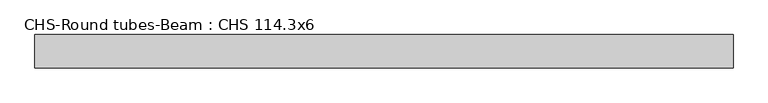
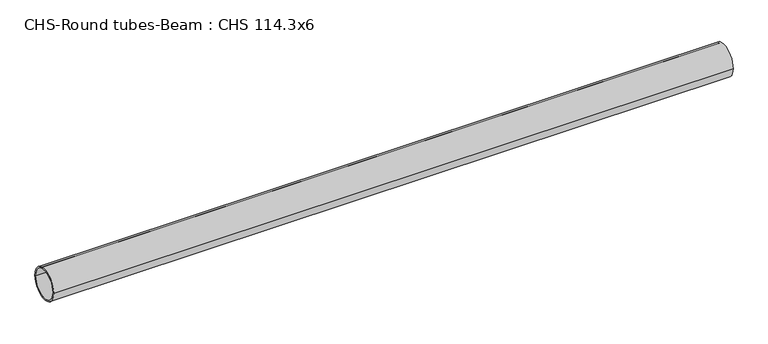
"""IFC4 building model written with IfcOpenShell, lengths in millimetres: beam geometry, CHS-Round tubes-Beam : CHS 114.3x6."""

from ifc_helpers import new_model, si_unit, point, frame, origin, origin_2d, place, context, project, spatial, circle_curve, trimmed, segment, composite_curve, outline, extrude, source, transform, mapped, element, save


def chs_round_tubes_beam_chs_114_3x6_2725e7f3(model_context):
    return source(origin(), model_context, "Body", "SweptSolid", [
        extrude(outline(composite_curve([segment(trimmed(circle_curve(origin_2d(), 57.15), [point((57.15, 0.0))], [point((-57.15, 0.0))], False, "CARTESIAN"), True, "CONTINUOUS"), segment(trimmed(circle_curve(origin_2d(), 57.15), [point((-57.15, 0.0))], [point((57.15, 0.0))], False, "CARTESIAN"), True, "CONTINUOUS")], self_intersect=False), holes=[composite_curve([segment(trimmed(circle_curve(origin_2d(), 51.15), [point((51.15, 0.0))], [point((-51.15, 0.0))], True, "CARTESIAN"), True, "CONTINUOUS"), segment(trimmed(circle_curve(origin_2d(), 51.15), [point((-51.15, 0.0))], [point((51.15, 0.0))], True, "CARTESIAN"), True, "CONTINUOUS")], self_intersect=False)]), frame((-1158.1134399, 0.0, 0.0), z_axis=(1.0, 0.0, 0.0), x_axis=(0.0, 1.0, 0.0)), (0.0, 0.0, 1.0), 2398.0298689),
    ])


if __name__ == "__main__":
    model = new_model("IFC4")
    model_context = context("Model", 3, world=origin())
    ifc_project = project(units=[si_unit("LENGTHUNIT", "METRE", prefix="MILLI")], contexts=[model_context])
    site = spatial("IfcSite", under=ifc_project)
    building = spatial("IfcBuilding", under=site)
    placement = place(None, origin())
    chs_round_tubes_beam_chs_114_3x6_shape = chs_round_tubes_beam_chs_114_3x6_2725e7f3(model_context)
    element("IfcBeam", 1, ObjectType="CHS-Round tubes-Beam : CHS 114.3x6", at=placement, inside=building, context=model_context, shape_type="MappedRepresentation", body=[
        mapped(chs_round_tubes_beam_chs_114_3x6_shape, transform((0.0, 0.0, 0.0), x_axis=(1.0, 0.0, 0.0), y_axis=(0.0, 1.0, 0.0), z_axis=(0.0, 0.0, 1.0))),
    ])
    save(model, "model.ifc")
